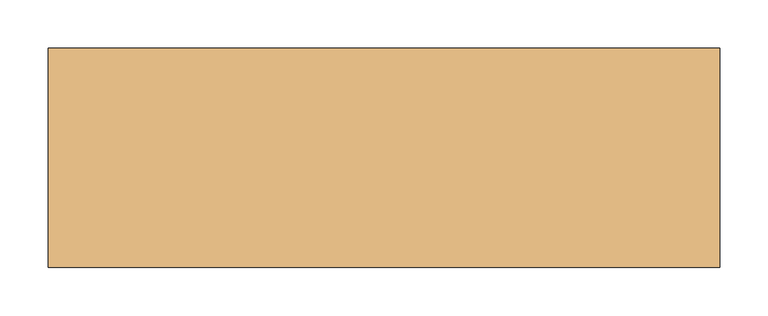
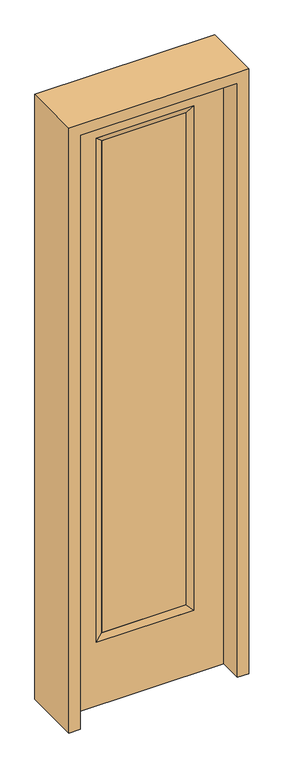
"""IFC4 building model written with IfcOpenShell, lengths in millimetres: door geometry."""

from ifc_helpers import new_model, si_unit, frame, origin, place, context, project, spatial, polyline, outline, extrude, faceted_brep, source, transform, mapped, element, save


def door_ecade387(model_context):
    return source(origin(), model_context, "Body", "SolidModel", [
        extrude(outline(polyline([(163.9824, -12.7039749), (-163.9824, -12.7039749), (-163.9824, 14.2875), (163.9824, 14.2875), (163.9824, -12.7039749)])), frame((0.0, 0.0, 285.75), z_axis=(0.0, 0.0, 1.0), x_axis=(1.0, 0.0, 0.0)), (0.0, 0.0, 1.0), 2019.3),
        faceted_brep([(163.9824, 14.2875, 2305.05), (189.3824, 22.225, 2330.45), (189.3824, 22.225, 260.35), (163.9824, 14.2875, 285.75), (189.3824, -22.225, 2330.45), (189.3824, -22.225, 260.35), (-189.3824, 22.225, 260.35), (-163.9824, 14.2875, 285.75), (163.9824, -12.7039749, 2305.05), (163.9824, -12.7039749, 285.75), (-163.9824, -12.7039749, 285.75), (-189.3824, -22.225, 260.35), (-189.3824, 22.225, 2330.45), (-163.9824, 14.2875, 2305.05), (-163.9824, -12.7039749, 2305.05), (-189.3824, -22.225, 2330.45)], [[[0, 1, 2, 3]], [[1, 4, 5, 2]], [[3, 2, 6, 7]], [[8, 0, 3, 9]], [[9, 3, 7, 10]], [[4, 8, 9, 5]], [[5, 9, 10, 11]], [[2, 5, 11, 6]], [[7, 6, 12, 13]], [[10, 7, 13, 14]], [[11, 10, 14, 15]], [[6, 11, 15, 12]], [[13, 12, 1, 0]], [[14, 13, 0, 8]], [[15, 14, 8, 4]], [[12, 15, 4, 1]]]),
        extrude(outline(polyline([(0.0, -304.8), (0.0, 304.8), (2438.4, 304.8), (2438.4, -304.8), (0.0, -304.8)]), holes=[polyline([(260.35, -189.3824), (2330.45, -189.3824), (2330.45, 189.3824), (260.35, 189.3824), (260.35, -189.3824)])]), frame((0.0, -22.225, 0.0), z_axis=(0.0, 1.0, 0.0), x_axis=(0.0, 0.0, 1.0)), (0.0, 0.0, 1.0), 44.45),
        extrude(outline(polyline([(2482.85, -349.25), (0.0, -349.25), (0.0, -304.8), (2438.4, -304.8), (2438.4, 304.8), (0.0, 304.8), (0.0, 349.25), (2482.85, 349.25), (2482.85, -349.25)])), frame((0.0, -114.3, 0.0), z_axis=(0.0, 1.0, 0.0), x_axis=(0.0, 0.0, 1.0)), (0.0, 0.0, 1.0), 228.6),
    ])


if __name__ == "__main__":
    model = new_model("IFC4")
    model_context = context("Model", 3, world=origin())
    ifc_project = project(units=[si_unit("LENGTHUNIT", "METRE", prefix="MILLI")], contexts=[model_context])
    site = spatial("IfcSite", under=ifc_project)
    building = spatial("IfcBuilding", under=site)
    placement = place(None, origin())
    door_shape = door_ecade387(model_context)
    element("IfcDoor", 1, at=placement, inside=building, context=model_context, shape_type="MappedRepresentation", body=[
        mapped(door_shape, transform((0.0, 0.0, 0.0), x_axis=(1.0, 0.0, 0.0), y_axis=(0.0, 1.0, 0.0), z_axis=(0.0, 0.0, 1.0))),
    ])
    save(model, "model.ifc")
